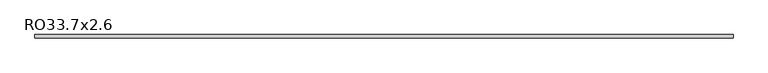
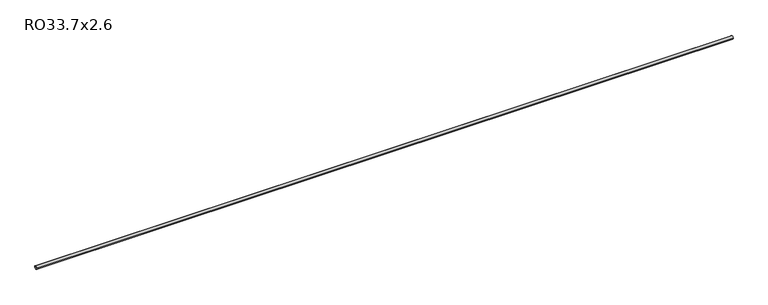
"""IFC4 building model written with IfcOpenShell, lengths in millimetres: beam geometry, RO33.7x2.6."""

import ifcopenshell
import ifcopenshell.guid

model = None  # the IFC model being written
_history = None  # IfcOwnerHistory: only IFC2X3 demands one
_inside = {}  # id of a spatial element -> (the spatial element, [elements in it])
_under = {}  # id of a project, library or spatial element -> (it, [spatial elements below it])
_declared = {}  # id of a project -> (the project, [libraries it declares])
_typed = {}  # id of a type object -> (the type object, [elements of that type])
_made_of = {}  # id of a material, layer set ... -> (it, [elements and type objects made of it])


def new_model(schema):
    """Start an empty IFC model of exactly this schema.

    Asked for "IFC4X3", IfcOpenShell would pick the latest addendum, in which some entities
    have other attributes; the version numbers below select the first issue.
    IFC2X3 requires an IfcOwnerHistory on every rooted entity: one is made here for all.
    """
    global model, _history
    if schema == "IFC4X3":
        model = ifcopenshell.file(schema_version=(4, 3, 0, 0))
    else:
        model = ifcopenshell.file(schema=schema)
    _inside.clear()
    _under.clear()
    _declared.clear()
    _typed.clear()
    _made_of.clear()
    _history = None
    if model.schema == "IFC2X3":
        org = make("IfcOrganization", Name="unknown")
        user = make(
            "IfcPersonAndOrganization",
            ThePerson=make("IfcPerson", FamilyName="unknown"),
            TheOrganization=org,
        )
        app = make(
            "IfcApplication",
            ApplicationDeveloper=org,
            Version="unknown",
            ApplicationFullName="unknown",
            ApplicationIdentifier="unknown",
        )
        _history = make(
            "IfcOwnerHistory",
            OwningUser=user,
            OwningApplication=app,
            ChangeAction="ADDED",
            CreationDate=0,
        )
    return model


def make(cls, **values):
    """One entity of the class cls with the attributes given. An attribute that is None is left unset."""
    return model.create_entity(
        cls, **{name: value for name, value in values.items() if value is not None}
    )


def rooted(cls, **values):
    """An entity with a GlobalId (a new one), such as an element, a storey or a relation."""
    return make(cls, GlobalId=ifcopenshell.guid.new(), OwnerHistory=_history, **values)


def si_unit(unit_type, name, prefix=None):
    """IfcSIUnit, for example si_unit("LENGTHUNIT", "METRE", prefix="MILLI")."""
    return make("IfcSIUnit", UnitType=unit_type, Prefix=prefix, Name=name)


def assignment(units):
    """IfcUnitAssignment: the units of a project."""
    return None if units is None else make("IfcUnitAssignment", Units=units)


def point(xyz):
    """IfcCartesianPoint."""
    return None if xyz is None else make("IfcCartesianPoint", Coordinates=xyz)


def direction(xyz):
    """IfcDirection."""
    return None if xyz is None else make("IfcDirection", DirectionRatios=xyz)


def frame(location, z_axis=None, x_axis=None):
    """IfcAxis2Placement3D, a coordinate frame: its origin and axes. An axis left out is left unset."""
    return make(
        "IfcAxis2Placement3D",
        Location=point(location),
        Axis=direction(z_axis),
        RefDirection=direction(x_axis),
    )


def frame_2d(location, x_axis=None):
    """IfcAxis2Placement2D, a coordinate frame in the plane: its origin and x axis."""
    return make(
        "IfcAxis2Placement2D", Location=point(location), RefDirection=direction(x_axis)
    )


def origin():
    """The frame at (0, 0, 0) with its axes left unset."""
    return frame((0.0, 0.0, 0.0))


def origin_2d():
    """The frame at (0, 0) in the plane with its x axis left unset."""
    return frame_2d((0.0, 0.0))


def place(relative_to, where):
    """IfcLocalPlacement: puts the frame where relative to a parent placement (None: the world)."""
    return make(
        "IfcLocalPlacement", PlacementRelTo=relative_to, RelativePlacement=where
    )


def context(
    kind, dimensions, precision=None, world=None, true_north=None, identifier=None
):
    """IfcGeometricRepresentationContext, for example the 3D "Model" context."""
    return make(
        "IfcGeometricRepresentationContext",
        ContextIdentifier=identifier,
        ContextType=kind,
        CoordinateSpaceDimension=dimensions,
        Precision=precision,
        WorldCoordinateSystem=world,
        TrueNorth=true_north,
    )


def project(units=None, contexts=None):
    """IfcProject with its units and contexts."""
    return rooted(
        "IfcProject",
        Name="project",
        RepresentationContexts=contexts,
        UnitsInContext=assignment(units),
    )


def spatial(cls, under=None, at=None, **own):
    """A site, building, storey or space (cls), placed at a placement, below another one or the project."""
    s = rooted(cls, ObjectPlacement=at, **own)
    if under is not None:
        _under.setdefault(under.id(), (under, []))[1].append(s)
    return s


def circle_curve(where, radius):
    """IfcCircle in the frame where."""
    return make("IfcCircle", Position=where, Radius=radius)


def trimmed(basis, trim1, trim2, sense, master):
    """IfcTrimmedCurve: the piece of a basis curve between two trims."""
    return make(
        "IfcTrimmedCurve",
        BasisCurve=basis,
        Trim1=trim1,
        Trim2=trim2,
        SenseAgreement=sense,
        MasterRepresentation=master,
    )


def segment(curve, same_sense, transition):
    """IfcCompositeCurveSegment."""
    return make(
        "IfcCompositeCurveSegment",
        Transition=transition,
        SameSense=same_sense,
        ParentCurve=curve,
    )


def composite_curve(segments, self_intersect=None):
    """IfcCompositeCurve: segments joined end to end."""
    return make("IfcCompositeCurve", Segments=segments, SelfIntersect=self_intersect)


def outline(outer, holes=None, kind="AREA"):
    """IfcArbitraryClosedProfileDef: a profile drawn as a closed curve; with holes, ...WithVoids."""
    if holes is None:
        return make("IfcArbitraryClosedProfileDef", ProfileType=kind, OuterCurve=outer)
    return make(
        "IfcArbitraryProfileDefWithVoids",
        ProfileType=kind,
        OuterCurve=outer,
        InnerCurves=holes,
    )


def extrude(swept, where, along, depth):
    """IfcExtrudedAreaSolid: the profile swept, set in the frame where, extruded along a direction by depth."""
    return make(
        "IfcExtrudedAreaSolid",
        SweptArea=swept,
        Position=where,
        ExtrudedDirection=direction(along),
        Depth=depth,
    )


def shape(context_of_items, identifier, shape_type, items):
    """IfcShapeRepresentation: the items that make up one representation, for example the "Body"."""
    return make(
        "IfcShapeRepresentation",
        ContextOfItems=context_of_items,
        RepresentationIdentifier=identifier,
        RepresentationType=shape_type,
        Items=items,
    )


def source(mapping_origin, context_of_items, identifier, shape_type, items):
    """IfcRepresentationMap: a shape defined once, which mapped items show again and again."""
    return make(
        "IfcRepresentationMap",
        MappingOrigin=mapping_origin,
        MappedRepresentation=shape(context_of_items, identifier, shape_type, items),
    )


def transform(
    local_origin,
    x_axis=None,
    y_axis=None,
    z_axis=None,
    scale=None,
    scale2=None,
    scale3=None,
    uniform=True,
):
    """IfcCartesianTransformationOperator3D, or its non-uniform kind. x_axis, y_axis, z_axis: its Axis1, 2, 3."""
    if uniform:
        return make(
            "IfcCartesianTransformationOperator3D",
            Axis1=direction(x_axis),
            Axis2=direction(y_axis),
            LocalOrigin=point(local_origin),
            Scale=scale,
            Axis3=direction(z_axis),
        )
    return make(
        "IfcCartesianTransformationOperator3DnonUniform",
        Axis1=direction(x_axis),
        Axis2=direction(y_axis),
        LocalOrigin=point(local_origin),
        Scale=scale,
        Axis3=direction(z_axis),
        Scale2=scale2,
        Scale3=scale3,
    )


def mapped(mapping_source, mapping_target):
    """IfcMappedItem: shows the shape of a source again, moved by a transform."""
    return make(
        "IfcMappedItem", MappingSource=mapping_source, MappingTarget=mapping_target
    )


def made_of(thing, what):
    """Note that an element or type object is made of a material, layer set ...; save() writes the relation."""
    if what is not None:
        _made_of.setdefault(what.id(), (what, []))[1].append(thing)
    return thing


def element(
    cls,
    number,
    at=None,
    inside=None,
    cuts=None,
    type_object=None,
    material=None,
    context=None,
    identifier="Body",
    shape_type=None,
    held_by="IfcProductDefinitionShape",
    body=None,
    shapes=None,
    **own,
):
    """One element of the class cls, such as IfcWall. Its Tag is "e" and its number.

    at: its placement. inside: the storey or other place that contains it. cuts: it is an
    opening in that element (IfcRelVoidsElement). A single representation is given by context,
    identifier, shape_type and body (its items); several are given by shapes. held_by: the class
    of the entity that holds the representations. save() writes the other relations.
    """
    e = rooted(cls, Tag="e%d" % number, ObjectPlacement=at, **own)
    if body is not None:
        shapes = [shape(context, identifier, shape_type, body)]
    if shapes is not None:
        e.Representation = make(held_by, Representations=shapes)
    if inside is not None:
        _inside.setdefault(inside.id(), (inside, []))[1].append(e)
    if cuts is not None:
        rooted(
            "IfcRelVoidsElement", RelatingBuildingElement=cuts, RelatedOpeningElement=e
        )
    if type_object is not None:
        _typed.setdefault(type_object.id(), (type_object, []))[1].append(e)
    return made_of(e, material)


def aggregate(whole, parts):
    """IfcRelAggregates: a whole, such as a stair, and the parts it consists of."""
    return rooted("IfcRelAggregates", RelatingObject=whole, RelatedObjects=parts)


def save(model, path):
    """Write the relations noted so far, then the file.

    IfcRelAggregates (storeys below a building ...), IfcRelContainedInSpatialStructure (elements
    in a storey), IfcRelDefinesByType, IfcRelAssociatesMaterial and IfcRelDeclares: one each for
    every whole, place, type object, material and project.
    """
    for whole, parts in _under.values():
        aggregate(whole, parts)
    for where, things in _inside.values():
        rooted(
            "IfcRelContainedInSpatialStructure",
            RelatedElements=things,
            RelatingStructure=where,
        )
    for kind, things in _typed.values():
        rooted("IfcRelDefinesByType", RelatedObjects=things, RelatingType=kind)
    for what, things in _made_of.values():
        rooted("IfcRelAssociatesMaterial", RelatedObjects=things, RelatingMaterial=what)
    for by, libraries in _declared.values():
        rooted("IfcRelDeclares", RelatingContext=by, RelatedDefinitions=libraries)
    model.write(path)


def ro33_7x2_6_a2bbe253(model_context):
    return source(origin(), model_context, "Body", "SweptSolid", [
        extrude(outline(composite_curve([segment(trimmed(circle_curve(origin_2d(), 16.85), [point((-16.85, 0.0))], [point((16.85, 0.0))], False, "CARTESIAN"), True, "CONTINUOUS"), segment(trimmed(circle_curve(origin_2d(), 16.85), [point((16.85, 0.0))], [point((-16.85, 0.0))], False, "CARTESIAN"), True, "CONTINUOUS")], self_intersect=False), holes=[composite_curve([segment(trimmed(circle_curve(origin_2d(), 14.25), [point((14.25, 0.0))], [point((-14.25, 0.0))], True, "CARTESIAN"), True, "CONTINUOUS"), segment(trimmed(circle_curve(origin_2d(), 14.25), [point((-14.25, 0.0))], [point((14.25, 0.0))], True, "CARTESIAN"), True, "CONTINUOUS")], self_intersect=False)]), frame((-3705.7, 0.0, 0.0), z_axis=(1.0, 0.0, 0.0), x_axis=(0.0, 1.0, 0.0)), (0.0, 0.0, 1.0), 7395.7),
    ])


if __name__ == "__main__":
    model = new_model("IFC4")
    model_context = context("Model", 3, world=origin())
    ifc_project = project(units=[si_unit("LENGTHUNIT", "METRE", prefix="MILLI")], contexts=[model_context])
    site = spatial("IfcSite", under=ifc_project)
    building = spatial("IfcBuilding", under=site)
    placement = place(None, origin())
    ro33_7x2_6_shape = ro33_7x2_6_a2bbe253(model_context)
    element("IfcBeam", 1, ObjectType="RO33.7x2.6", at=placement, inside=building, context=model_context, shape_type="MappedRepresentation", body=[
        mapped(ro33_7x2_6_shape, transform((0.0, 0.0, 0.0), x_axis=(1.0, 0.0, 0.0), y_axis=(0.0, 1.0, 0.0), z_axis=(0.0, 0.0, 1.0))),
    ])
    save(model, "model.ifc")
